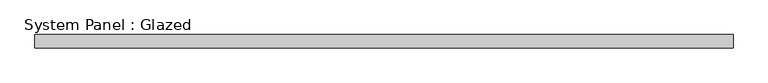
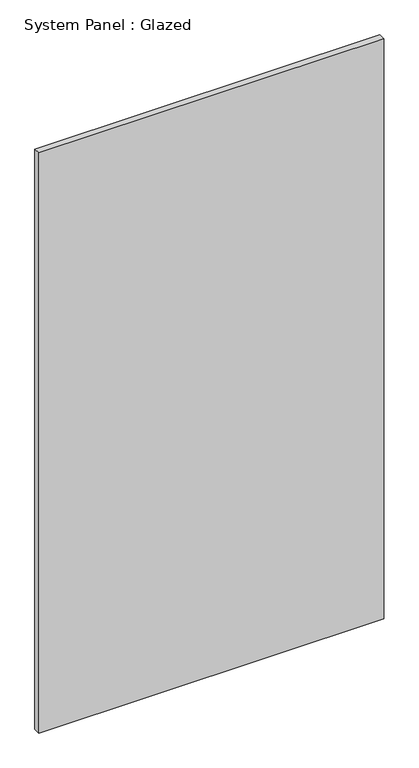
"""IFC4 building model written with IfcOpenShell, lengths in millimetres: plate geometry, System Panel : Glazed."""

from ifc_helpers import new_model, si_unit, origin, origin_with_axes, place, context, project, spatial, polyline, outline, extrude, source, transform, mapped, element, save


def system_panel_glazed_aba14d52(model_context):
    return source(origin(), model_context, "Body", "SweptSolid", [
        extrude(outline(polyline([(658.8125, -44.45), (-658.8125, -44.45), (-658.8125, -19.05), (658.8125, -19.05), (658.8125, -44.45)])), origin_with_axes(), (0.0, 0.0, 1.0), 2343.15),
    ])


if __name__ == "__main__":
    model = new_model("IFC4")
    model_context = context("Model", 3, world=origin())
    ifc_project = project(units=[si_unit("LENGTHUNIT", "METRE", prefix="MILLI")], contexts=[model_context])
    site = spatial("IfcSite", under=ifc_project)
    building = spatial("IfcBuilding", under=site)
    placement = place(None, origin())
    system_panel_glazed_shape = system_panel_glazed_aba14d52(model_context)
    element("IfcPlate", 1, ObjectType="System Panel : Glazed", at=placement, inside=building, context=model_context, shape_type="MappedRepresentation", body=[
        mapped(system_panel_glazed_shape, transform((0.0, 0.0, 0.0), x_axis=(1.0, 0.0, 0.0), y_axis=(0.0, 1.0, 0.0), z_axis=(0.0, 0.0, 1.0))),
    ])
    save(model, "model.ifc")
